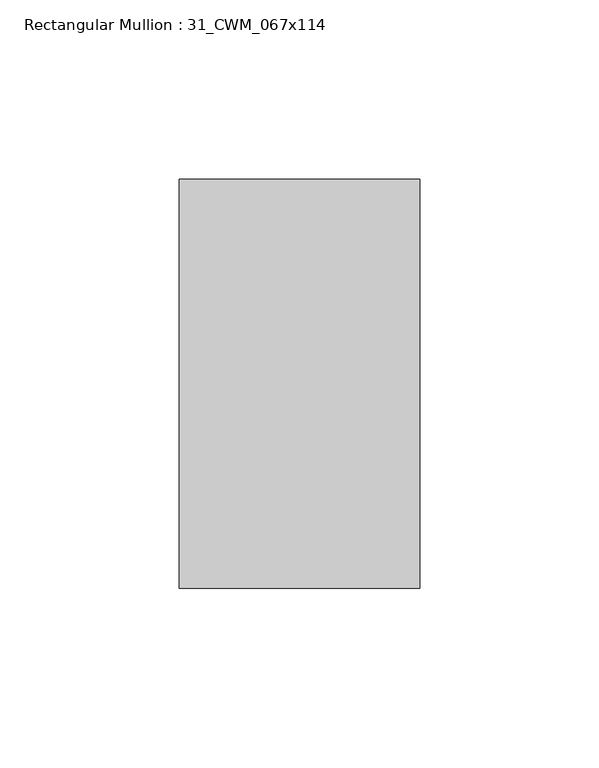
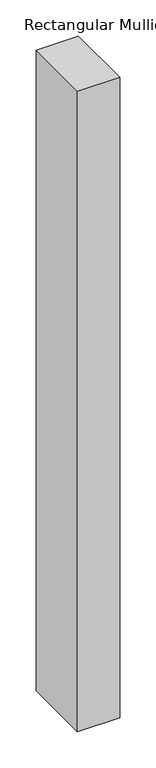
"""IFC4 building model written with IfcOpenShell, lengths in millimetres: member geometry, Rectangular Mullion : 31_CWM_067x114."""

from ifc_helpers import new_model, si_unit, frame, origin, place, context, project, spatial, polyline, outline, extrude, source, transform, mapped, element, save


def rectangular_mullion_31_cwm_067x114_fdafc72a(model_context):
    return source(origin(), model_context, "Body", "SweptSolid", [
        extrude(outline(polyline([(0.0, 0.0), (0.0, -114.0), (-67.0, -114.0), (-67.0, 0.0), (0.0, 0.0)])), frame((0.0, 0.0, -1080.0), z_axis=(0.0, 0.0, 1.0), x_axis=(1.0, 0.0, 0.0)), (0.0, 0.0, 1.0), 1080.0),
    ])


if __name__ == "__main__":
    model = new_model("IFC4")
    model_context = context("Model", 3, world=origin())
    ifc_project = project(units=[si_unit("LENGTHUNIT", "METRE", prefix="MILLI")], contexts=[model_context])
    site = spatial("IfcSite", under=ifc_project)
    building = spatial("IfcBuilding", under=site)
    placement = place(None, origin())
    rectangular_mullion_31_cwm_067x114_shape = rectangular_mullion_31_cwm_067x114_fdafc72a(model_context)
    element("IfcMember", 1, ObjectType="Rectangular Mullion : 31_CWM_067x114", at=placement, inside=building, context=model_context, shape_type="MappedRepresentation", body=[
        mapped(rectangular_mullion_31_cwm_067x114_shape, transform((0.0, 0.0, 0.0), x_axis=(1.0, 0.0, 0.0), y_axis=(0.0, 1.0, 0.0), z_axis=(0.0, 0.0, 1.0))),
    ])
    save(model, "model.ifc")
